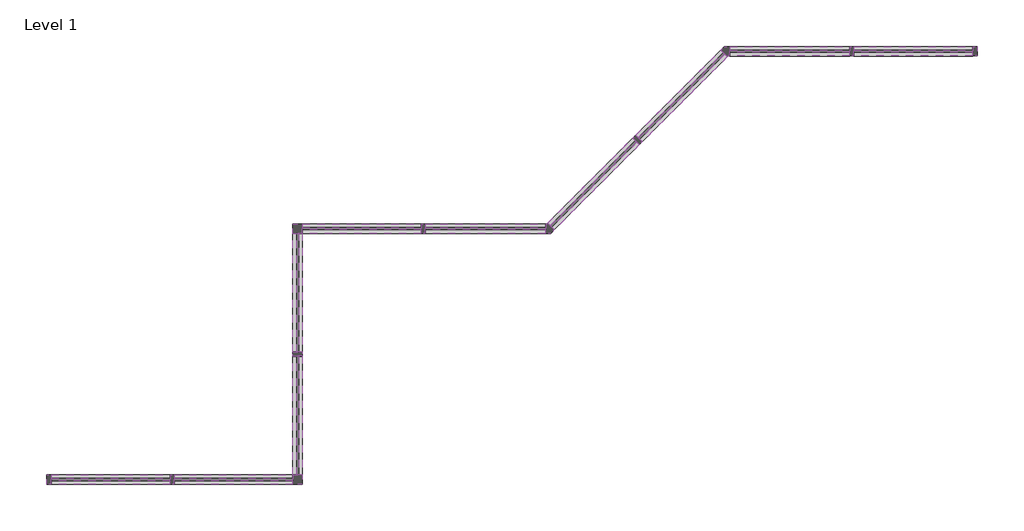
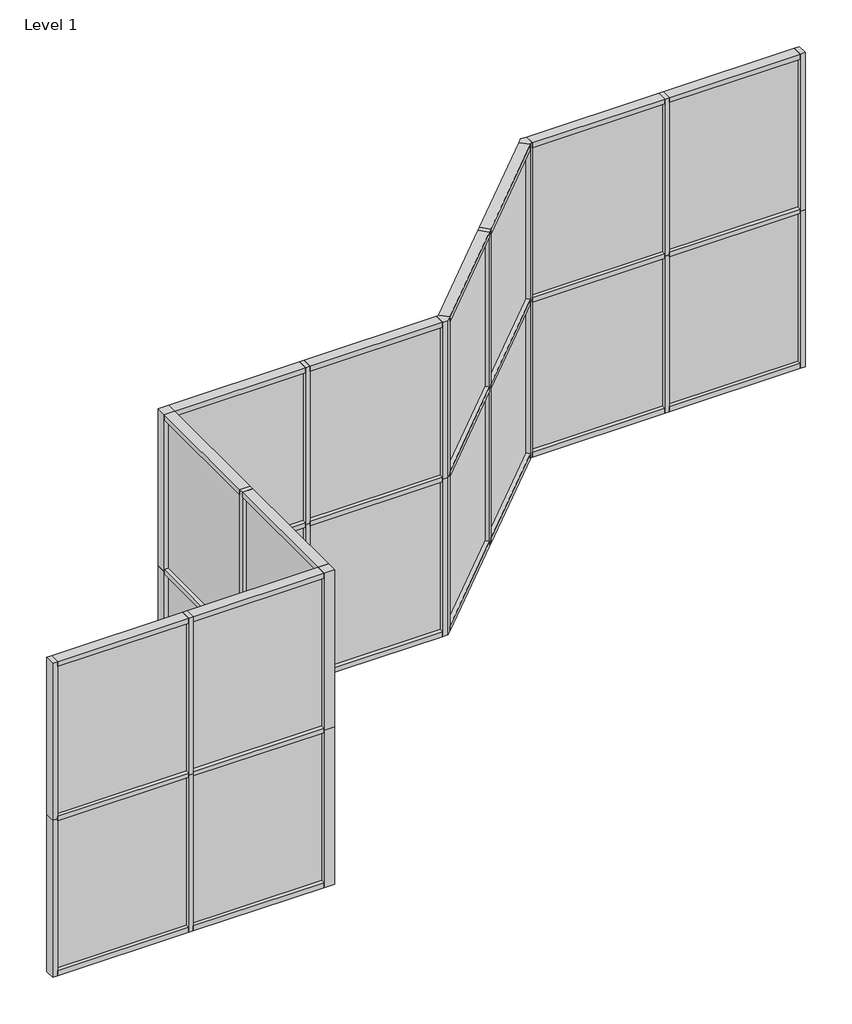
# One storey: 52 members, 20 plates.
"""IFC4 building model written with IfcOpenShell, lengths in millimetres."""

import ifcopenshell
import ifcopenshell.guid

model = None  # the IFC model being written
_history = None  # IfcOwnerHistory: only IFC2X3 demands one
_inside = {}  # id of a spatial element -> (the spatial element, [elements in it])
_under = {}  # id of a project, library or spatial element -> (it, [spatial elements below it])
_declared = {}  # id of a project -> (the project, [libraries it declares])
_typed = {}  # id of a type object -> (the type object, [elements of that type])
_made_of = {}  # id of a material, layer set ... -> (it, [elements and type objects made of it])


def new_model(schema):
    """Start an empty IFC model of exactly this schema.

    Asked for "IFC4X3", IfcOpenShell would pick the latest addendum, in which some entities
    have other attributes; the version numbers below select the first issue.
    IFC2X3 requires an IfcOwnerHistory on every rooted entity: one is made here for all.
    """
    global model, _history
    if schema == "IFC4X3":
        model = ifcopenshell.file(schema_version=(4, 3, 0, 0))
    else:
        model = ifcopenshell.file(schema=schema)
    _inside.clear()
    _under.clear()
    _declared.clear()
    _typed.clear()
    _made_of.clear()
    _history = None
    if model.schema == "IFC2X3":
        org = make("IfcOrganization", Name="unknown")
        user = make(
            "IfcPersonAndOrganization",
            ThePerson=make("IfcPerson", FamilyName="unknown"),
            TheOrganization=org,
        )
        app = make(
            "IfcApplication",
            ApplicationDeveloper=org,
            Version="unknown",
            ApplicationFullName="unknown",
            ApplicationIdentifier="unknown",
        )
        _history = make(
            "IfcOwnerHistory",
            OwningUser=user,
            OwningApplication=app,
            ChangeAction="ADDED",
            CreationDate=0,
        )
    return model


def make(cls, **values):
    """One entity of the class cls with the attributes given. An attribute that is None is left unset."""
    return model.create_entity(
        cls, **{name: value for name, value in values.items() if value is not None}
    )


def rooted(cls, **values):
    """An entity with a GlobalId (a new one), such as an element, a storey or a relation."""
    return make(cls, GlobalId=ifcopenshell.guid.new(), OwnerHistory=_history, **values)


def si_unit(unit_type, name, prefix=None):
    """IfcSIUnit, for example si_unit("LENGTHUNIT", "METRE", prefix="MILLI")."""
    return make("IfcSIUnit", UnitType=unit_type, Prefix=prefix, Name=name)


def assignment(units):
    """IfcUnitAssignment: the units of a project."""
    return None if units is None else make("IfcUnitAssignment", Units=units)


def point(xyz):
    """IfcCartesianPoint."""
    return None if xyz is None else make("IfcCartesianPoint", Coordinates=xyz)


def direction(xyz):
    """IfcDirection."""
    return None if xyz is None else make("IfcDirection", DirectionRatios=xyz)


def frame(location, z_axis=None, x_axis=None):
    """IfcAxis2Placement3D, a coordinate frame: its origin and axes. An axis left out is left unset."""
    return make(
        "IfcAxis2Placement3D",
        Location=point(location),
        Axis=direction(z_axis),
        RefDirection=direction(x_axis),
    )


def origin():
    """The frame at (0, 0, 0) with its axes left unset."""
    return frame((0.0, 0.0, 0.0))


def origin_with_axes():
    """The frame at (0, 0, 0) with the z axis (0, 0, 1) and the x axis (1, 0, 0) written out."""
    return frame((0.0, 0.0, 0.0), z_axis=(0.0, 0.0, 1.0), x_axis=(1.0, 0.0, 0.0))


def place(relative_to, where):
    """IfcLocalPlacement: puts the frame where relative to a parent placement (None: the world)."""
    return make(
        "IfcLocalPlacement", PlacementRelTo=relative_to, RelativePlacement=where
    )


def context(
    kind, dimensions, precision=None, world=None, true_north=None, identifier=None
):
    """IfcGeometricRepresentationContext, for example the 3D "Model" context."""
    return make(
        "IfcGeometricRepresentationContext",
        ContextIdentifier=identifier,
        ContextType=kind,
        CoordinateSpaceDimension=dimensions,
        Precision=precision,
        WorldCoordinateSystem=world,
        TrueNorth=true_north,
    )


def project(units=None, contexts=None):
    """IfcProject with its units and contexts."""
    return rooted(
        "IfcProject",
        Name="project",
        RepresentationContexts=contexts,
        UnitsInContext=assignment(units),
    )


def spatial(cls, under=None, at=None, **own):
    """A site, building, storey or space (cls), placed at a placement, below another one or the project."""
    s = rooted(cls, ObjectPlacement=at, **own)
    if under is not None:
        _under.setdefault(under.id(), (under, []))[1].append(s)
    return s


def polyline(points):
    """IfcPolyline through the points."""
    return make("IfcPolyline", Points=[point(p) for p in points])


def outline(outer, holes=None, kind="AREA"):
    """IfcArbitraryClosedProfileDef: a profile drawn as a closed curve; with holes, ...WithVoids."""
    if holes is None:
        return make("IfcArbitraryClosedProfileDef", ProfileType=kind, OuterCurve=outer)
    return make(
        "IfcArbitraryProfileDefWithVoids",
        ProfileType=kind,
        OuterCurve=outer,
        InnerCurves=holes,
    )


def extrude(swept, where, along, depth):
    """IfcExtrudedAreaSolid: the profile swept, set in the frame where, extruded along a direction by depth."""
    return make(
        "IfcExtrudedAreaSolid",
        SweptArea=swept,
        Position=where,
        ExtrudedDirection=direction(along),
        Depth=depth,
    )


def shape(context_of_items, identifier, shape_type, items):
    """IfcShapeRepresentation: the items that make up one representation, for example the "Body"."""
    return make(
        "IfcShapeRepresentation",
        ContextOfItems=context_of_items,
        RepresentationIdentifier=identifier,
        RepresentationType=shape_type,
        Items=items,
    )


def source(mapping_origin, context_of_items, identifier, shape_type, items):
    """IfcRepresentationMap: a shape defined once, which mapped items show again and again."""
    return make(
        "IfcRepresentationMap",
        MappingOrigin=mapping_origin,
        MappedRepresentation=shape(context_of_items, identifier, shape_type, items),
    )


def transform(
    local_origin,
    x_axis=None,
    y_axis=None,
    z_axis=None,
    scale=None,
    scale2=None,
    scale3=None,
    uniform=True,
):
    """IfcCartesianTransformationOperator3D, or its non-uniform kind. x_axis, y_axis, z_axis: its Axis1, 2, 3."""
    if uniform:
        return make(
            "IfcCartesianTransformationOperator3D",
            Axis1=direction(x_axis),
            Axis2=direction(y_axis),
            LocalOrigin=point(local_origin),
            Scale=scale,
            Axis3=direction(z_axis),
        )
    return make(
        "IfcCartesianTransformationOperator3DnonUniform",
        Axis1=direction(x_axis),
        Axis2=direction(y_axis),
        LocalOrigin=point(local_origin),
        Scale=scale,
        Axis3=direction(z_axis),
        Scale2=scale2,
        Scale3=scale3,
    )


def mapped(mapping_source, mapping_target):
    """IfcMappedItem: shows the shape of a source again, moved by a transform."""
    return make(
        "IfcMappedItem", MappingSource=mapping_source, MappingTarget=mapping_target
    )


def made_of(thing, what):
    """Note that an element or type object is made of a material, layer set ...; save() writes the relation."""
    if what is not None:
        _made_of.setdefault(what.id(), (what, []))[1].append(thing)
    return thing


def element(
    cls,
    number,
    at=None,
    inside=None,
    cuts=None,
    type_object=None,
    material=None,
    context=None,
    identifier="Body",
    shape_type=None,
    held_by="IfcProductDefinitionShape",
    body=None,
    shapes=None,
    **own,
):
    """One element of the class cls, such as IfcWall. Its Tag is "e" and its number.

    at: its placement. inside: the storey or other place that contains it. cuts: it is an
    opening in that element (IfcRelVoidsElement). A single representation is given by context,
    identifier, shape_type and body (its items); several are given by shapes. held_by: the class
    of the entity that holds the representations. save() writes the other relations.
    """
    e = rooted(cls, Tag="e%d" % number, ObjectPlacement=at, **own)
    if body is not None:
        shapes = [shape(context, identifier, shape_type, body)]
    if shapes is not None:
        e.Representation = make(held_by, Representations=shapes)
    if inside is not None:
        _inside.setdefault(inside.id(), (inside, []))[1].append(e)
    if cuts is not None:
        rooted(
            "IfcRelVoidsElement", RelatingBuildingElement=cuts, RelatedOpeningElement=e
        )
    if type_object is not None:
        _typed.setdefault(type_object.id(), (type_object, []))[1].append(e)
    return made_of(e, material)


def aggregate(whole, parts):
    """IfcRelAggregates: a whole, such as a stair, and the parts it consists of."""
    return rooted("IfcRelAggregates", RelatingObject=whole, RelatedObjects=parts)


def save(model, path):
    """Write the relations noted so far, then the file.

    IfcRelAggregates (storeys below a building ...), IfcRelContainedInSpatialStructure (elements
    in a storey), IfcRelDefinesByType, IfcRelAssociatesMaterial and IfcRelDeclares: one each for
    every whole, place, type object, material and project.
    """
    for whole, parts in _under.values():
        aggregate(whole, parts)
    for where, things in _inside.values():
        rooted(
            "IfcRelContainedInSpatialStructure",
            RelatedElements=things,
            RelatingStructure=where,
        )
    for kind, things in _typed.values():
        rooted("IfcRelDefinesByType", RelatedObjects=things, RelatingType=kind)
    for what, things in _made_of.values():
        rooted("IfcRelAssociatesMaterial", RelatedObjects=things, RelatingMaterial=what)
    for by, libraries in _declared.values():
        rooted("IfcRelDeclares", RelatingContext=by, RelatedDefinitions=libraries)
    model.write(path)


def l_corner_mullion_f14474ff(model_context):
    return source(origin(), model_context, "Body", "SweptSolid", [
        extrude(outline(polyline([(68.4744529, -12.3478522), (23.6723051, -57.15), (-39.6875, -57.15), (-39.6875, 57.15), (-23.6723051, 57.15), (-12.3478522, 68.4744529), (68.4744529, -12.3478522)])), frame((0.0, 0.0, -1828.8), z_axis=(0.0, 0.0, 1.0), x_axis=(1.0, 0.0, 0.0)), (0.0, 0.0, 1.0), 1828.8),
    ])


def l_corner_mullion_695edc38(model_context):
    return source(origin(), model_context, "Body", "SweptSolid", [
        extrude(outline(polyline([(-12.3478522, -68.4744529), (-23.6723051, -57.15), (-39.6875, -57.15), (-39.6875, 57.15), (23.6723051, 57.15), (68.4744529, 12.3478522), (-12.3478522, -68.4744529)])), frame((0.0, 0.0, -1828.8), z_axis=(0.0, 0.0, 1.0), x_axis=(1.0, 0.0, 0.0)), (0.0, 0.0, 1.0), 1828.8),
    ])


def quad_corner_mullion_f4bc3672(model_context):
    return source(origin(), model_context, "Body", "SweptSolid", [
        extrude(outline(polyline([(57.15, -57.15), (-57.15, -57.15), (-57.15, 57.15), (57.15, 57.15), (57.15, -57.15)])), frame((0.0, 0.0, -1828.8), z_axis=(0.0, 0.0, 1.0), x_axis=(1.0, 0.0, 0.0)), (0.0, 0.0, 1.0), 1828.8),
    ])


def quad_corner_mullion_361adb77(model_context):
    return source(origin(), model_context, "Body", "SweptSolid", [
        extrude(outline(polyline([(57.15, 57.15), (57.15, -57.15), (-57.15, -57.15), (-57.15, 57.15), (57.15, 57.15)])), frame((0.0, 0.0, -1828.8), z_axis=(0.0, 0.0, 1.0), x_axis=(1.0, 0.0, 0.0)), (0.0, 0.0, 1.0), 1828.8),
    ])


def rectangular_mullion_kawneer_vg_451_ssc_head_1aaa4fa9(model_context):
    return source(origin(), model_context, "Body", "SweptSolid", [
        extrude(outline(polyline([(-57.15, -57.15), (-57.15, 57.15), (0.0, 57.15), (0.0, -57.15), (-57.15, -57.15)])), frame((0.0, 0.0, -1441.45), z_axis=(0.0, 0.0, 1.0), x_axis=(1.0, 0.0, 0.0)), (0.0, 0.0, 1.0), 1441.45),
    ])


def rectangular_mullion_kawneer_vg_451_ssc_head_740f8d7e(model_context):
    return source(origin(), model_context, "Body", "SweptSolid", [
        extrude(outline(polyline([(-57.15, -57.15), (-57.15, 57.15), (0.0, 57.15), (0.0, -57.15), (-57.15, -57.15)])), frame((0.0, 0.0, -1458.9125), z_axis=(0.0, 0.0, 1.0), x_axis=(1.0, 0.0, 0.0)), (0.0, 0.0, 1.0), 1458.9125),
    ])


def rectangular_mullion_kawneer_vg_451_ssc_horizontal_7eaaeb3d(model_context):
    return source(origin(), model_context, "Body", "SweptSolid", [
        extrude(outline(polyline([(25.4, 57.15), (25.4, -57.15), (-25.4, -57.15), (-25.4, 57.15), (25.4, 57.15)])), frame((0.0, 0.0, -1441.45), z_axis=(0.0, 0.0, 1.0), x_axis=(1.0, 0.0, 0.0)), (0.0, 0.0, 1.0), 1441.45),
    ])


def rectangular_mullion_kawneer_vg_451_ssc_horizontal_911dba1e(model_context):
    return source(origin(), model_context, "Body", "SweptSolid", [
        extrude(outline(polyline([(25.4, 57.15), (25.4, -57.15), (-25.4, -57.15), (-25.4, 57.15), (25.4, 57.15)])), frame((0.0, 0.0, -1458.9125), z_axis=(0.0, 0.0, 1.0), x_axis=(1.0, 0.0, 0.0)), (0.0, 0.0, 1.0), 1458.9125),
    ])


def rectangular_mullion_kawneer_vg_451_ssc_jamb_left_6c2af602(model_context):
    return source(origin(), model_context, "Body", "SweptSolid", [
        extrude(outline(polyline([(-57.15, -57.15), (-57.15, 57.15), (0.0, 57.15), (0.0, -57.15), (-57.15, -57.15)])), frame((0.0, 0.0, -1828.8), z_axis=(0.0, 0.0, 1.0), x_axis=(1.0, 0.0, 0.0)), (0.0, 0.0, 1.0), 1828.8),
    ])


def rectangular_mullion_kawneer_vg_451_ssc_vertical_585972e0(model_context):
    return source(origin(), model_context, "Body", "SweptSolid", [
        extrude(outline(polyline([(25.4, 57.15), (25.4, -57.15), (-25.4, -57.15), (-25.4, 57.15), (25.4, 57.15)])), frame((0.0, 0.0, -1828.8), z_axis=(0.0, 0.0, 1.0), x_axis=(1.0, 0.0, 0.0)), (0.0, 0.0, 1.0), 1828.8),
    ])


def system_panel_ssc_2e00f368(model_context):
    return source(origin(), model_context, "Body", "SweptSolid", [
        extrude(outline(polyline([(720.725, -12.7), (-720.725, -12.7), (-720.725, 12.7), (720.725, 12.7), (720.725, -12.7)])), origin_with_axes(), (0.0, 0.0, 1.0), 1746.25),
    ])


def system_panel_ssc_d32b9d8c(model_context):
    return source(origin(), model_context, "Body", "SweptSolid", [
        extrude(outline(polyline([(729.45625, -12.7), (-729.45625, -12.7), (-729.45625, 12.7), (729.45625, 12.7), (729.45625, -12.7)])), origin_with_axes(), (0.0, 0.0, 1.0), 1746.25),
    ])


model = new_model("IFC4")

# Units and contexts
model_context = context("Model", 3, world=origin())
ifc_project = project(units=[si_unit("LENGTHUNIT", "METRE", prefix="MILLI")], contexts=[model_context])

# Site, building, storey
site = spatial("IfcSite", under=ifc_project)
building = spatial("IfcBuilding", under=site)
storey = spatial("IfcBuildingStorey", under=building, Name="Level 1", Elevation=0.0)

# Members
placement = place(None, origin())
l_corner_mullion_shape = l_corner_mullion_f14474ff(model_context)
element("IfcMember", 1, ObjectType="L Corner Mullion", at=placement, inside=storey, context=model_context, shape_type="MappedRepresentation", body=[
    mapped(l_corner_mullion_shape, transform((13943.6538992, 7763.9938265, 0.0), x_axis=(0.7071067811865482, 0.7071067811865468, 0.0), y_axis=(0.7071067811865468, -0.7071067811865482, 0.0), z_axis=(0.0, 0.0, -1.0))),
])
element("IfcMember", 2, ObjectType="L Corner Mullion", at=placement, inside=storey, context=model_context, shape_type="MappedRepresentation", body=[
    mapped(l_corner_mullion_shape, transform((13943.6538992, 7763.9938265, 1828.8), x_axis=(0.7071067811865482, 0.7071067811865468, 0.0), y_axis=(0.7071067811865468, -0.7071067811865482, 0.0), z_axis=(0.0, 0.0, -1.0))),
])
l_corner_mullion_2_shape = l_corner_mullion_695edc38(model_context)
element("IfcMember", 3, ObjectType="L Corner Mullion", at=placement, inside=storey, context=model_context, shape_type="MappedRepresentation", body=[
    mapped(l_corner_mullion_2_shape, transform((11788.3924301, 5608.7323574, 0.0), x_axis=(1.0, 0.0, 0.0), y_axis=(0.0, -1.0, 0.0), z_axis=(0.0, 0.0, -1.0))),
])
element("IfcMember", 4, ObjectType="L Corner Mullion", at=placement, inside=storey, context=model_context, shape_type="MappedRepresentation", body=[
    mapped(l_corner_mullion_2_shape, transform((11788.3924301, 5608.7323574, 1828.8), x_axis=(1.0, 0.0, 0.0), y_axis=(0.0, -1.0, 0.0), z_axis=(0.0, 0.0, -1.0))),
])
quad_corner_mullion_shape = quad_corner_mullion_f4bc3672(model_context)
element("IfcMember", 5, ObjectType="Quad Corner Mullion", at=placement, inside=storey, context=model_context, shape_type="MappedRepresentation", body=[
    mapped(quad_corner_mullion_shape, transform((8740.3924301, 2560.7323574, 1828.8), x_axis=(0.0, -1.0, 0.0), y_axis=(1.0, 0.0, 0.0), z_axis=(0.0, 0.0, 1.0))),
])
quad_corner_mullion_2_shape = quad_corner_mullion_361adb77(model_context)
element("IfcMember", 6, ObjectType="Quad Corner Mullion", at=placement, inside=storey, context=model_context, shape_type="MappedRepresentation", body=[
    mapped(quad_corner_mullion_2_shape, transform((8740.3924301, 5608.7323574, 1828.8), x_axis=(0.0, 1.0, 0.0), y_axis=(1.0, 0.0, 0.0), z_axis=(0.0, 0.0, -1.0))),
])
element("IfcMember", 7, ObjectType="Quad Corner Mullion", at=placement, inside=storey, context=model_context, shape_type="MappedRepresentation", body=[
    mapped(quad_corner_mullion_2_shape, transform((8740.3924301, 5608.7323574, 1828.8), x_axis=(-1.0, 0.0, 0.0), y_axis=(0.0, -1.0, 0.0), z_axis=(0.0, 0.0, 1.0))),
])
element("IfcMember", 8, ObjectType="Quad Corner Mullion", at=placement, inside=storey, context=model_context, shape_type="MappedRepresentation", body=[
    mapped(quad_corner_mullion_shape, transform((8740.3924301, 2560.7323574, 1828.8), x_axis=(1.0, 0.0, 0.0), y_axis=(0.0, -1.0, 0.0), z_axis=(0.0, 0.0, -1.0))),
])
rectangular_mullion_kawneer_vg_451_ssc_head_shape = rectangular_mullion_kawneer_vg_451_ssc_head_1aaa4fa9(model_context)
element("IfcMember", 9, ObjectType="Rectangular Mullion : Kawneer-VG_451-SSC-Head", at=placement, inside=storey, context=model_context, shape_type="MappedRepresentation", body=[
    mapped(rectangular_mullion_kawneer_vg_451_ssc_head_shape, transform((8683.2424301, 2560.7323574, 3657.6), x_axis=(0.0, 0.0, 1.0), y_axis=(0.0, -1.0, 0.0), z_axis=(1.0, 0.0, 0.0))),
])
element("IfcMember", 10, ObjectType="Rectangular Mullion : Kawneer-VG_451-SSC-Head", at=placement, inside=storey, context=model_context, shape_type="MappedRepresentation", body=[
    mapped(rectangular_mullion_kawneer_vg_451_ssc_head_shape, transform((7190.9924301, 2560.7323574, 3657.6), x_axis=(0.0, 0.0, 1.0), y_axis=(0.0, -1.0, 0.0), z_axis=(1.0, 0.0, 0.0))),
])
element("IfcMember", 11, ObjectType="Rectangular Mullion : Kawneer-VG_451-SSC-Head", at=placement, inside=storey, context=model_context, shape_type="MappedRepresentation", body=[
    mapped(rectangular_mullion_kawneer_vg_451_ssc_head_shape, transform((8740.3924301, 5551.5823574, 3657.6), x_axis=(0.0, 0.0, 1.0), y_axis=(1.0, 0.0, 0.0), z_axis=(0.0, 1.0, 0.0))),
])
element("IfcMember", 12, ObjectType="Rectangular Mullion : Kawneer-VG_451-SSC-Head", at=placement, inside=storey, context=model_context, shape_type="MappedRepresentation", body=[
    mapped(rectangular_mullion_kawneer_vg_451_ssc_head_shape, transform((8740.3924301, 4059.3323574, 3657.6), x_axis=(0.0, 0.0, 1.0), y_axis=(1.0, 0.0, 0.0), z_axis=(0.0, 1.0, 0.0))),
])
element("IfcMember", 13, ObjectType="Rectangular Mullion : Kawneer-VG_451-SSC-Head", at=placement, inside=storey, context=model_context, shape_type="MappedRepresentation", body=[
    mapped(rectangular_mullion_kawneer_vg_451_ssc_head_shape, transform((10238.9924301, 5608.7323574, 3657.6), x_axis=(0.0, 0.0, 1.0), y_axis=(0.0, -1.0, 0.0), z_axis=(1.0, 0.0, 0.0))),
])
element("IfcMember", 14, ObjectType="Rectangular Mullion : Kawneer-VG_451-SSC-Head", at=placement, inside=storey, context=model_context, shape_type="MappedRepresentation", body=[
    mapped(rectangular_mullion_kawneer_vg_451_ssc_head_shape, transform((16934.5038992, 7763.9938265, 3657.6), x_axis=(0.0, 0.0, 1.0), y_axis=(0.0, -1.0, 0.0), z_axis=(1.0, 0.0, 0.0))),
])
rectangular_mullion_kawneer_vg_451_ssc_head_2_shape = rectangular_mullion_kawneer_vg_451_ssc_head_740f8d7e(model_context)
element("IfcMember", 15, ObjectType="Rectangular Mullion : Kawneer-VG_451-SSC-Head", at=placement, inside=storey, context=model_context, shape_type="MappedRepresentation", body=[
    mapped(rectangular_mullion_kawneer_vg_451_ssc_head_2_shape, transform((11748.7049301, 5608.7323574, 3657.6), x_axis=(0.0, 0.0, 1.0), y_axis=(0.0, -1.0, 0.0), z_axis=(1.0, 0.0, 0.0))),
])
element("IfcMember", 16, ObjectType="Rectangular Mullion : Kawneer-VG_451-SSC-Head", at=placement, inside=storey, context=model_context, shape_type="MappedRepresentation", body=[
    mapped(rectangular_mullion_kawneer_vg_451_ssc_head_2_shape, transform((13915.5905988, 7735.9305261, 3657.6), x_axis=(0.0, 0.0, 1.0), y_axis=(0.7071067811865465, -0.7071067811865486, 0.0), z_axis=(0.7071067811865486, 0.7071067811865465, 0.0))),
])
element("IfcMember", 17, ObjectType="Rectangular Mullion : Kawneer-VG_451-SSC-Head", at=placement, inside=storey, context=model_context, shape_type="MappedRepresentation", body=[
    mapped(rectangular_mullion_kawneer_vg_451_ssc_head_2_shape, transform((12848.0626524, 6668.4025797, 3657.6), x_axis=(0.0, 0.0, 1.0), y_axis=(0.7071067811865472, -0.7071067811865479, 0.0), z_axis=(0.7071067811865478, 0.7071067811865471, 0.0))),
])
element("IfcMember", 18, ObjectType="Rectangular Mullion : Kawneer-VG_451-SSC-Head", at=placement, inside=storey, context=model_context, shape_type="MappedRepresentation", body=[
    mapped(rectangular_mullion_kawneer_vg_451_ssc_head_2_shape, transform((15442.2538992, 7763.9938265, 3657.6), x_axis=(0.0, 0.0, 1.0), y_axis=(0.0, -1.0, 0.0), z_axis=(1.0, 0.0, 0.0))),
])
rectangular_mullion_kawneer_vg_451_ssc_horizontal_shape = rectangular_mullion_kawneer_vg_451_ssc_horizontal_7eaaeb3d(model_context)
element("IfcMember", 19, ObjectType="Rectangular Mullion : Kawneer-VG_451-SSC-Horizontal", at=placement, inside=storey, context=model_context, shape_type="MappedRepresentation", body=[
    mapped(rectangular_mullion_kawneer_vg_451_ssc_horizontal_shape, transform((7190.9924301, 2560.7323574, 1828.8), x_axis=(0.0, 0.0, 1.0), y_axis=(0.0, -1.0, 0.0), z_axis=(1.0, 0.0, 0.0))),
])
element("IfcMember", 20, ObjectType="Rectangular Mullion : Kawneer-VG_451-SSC-Horizontal", at=placement, inside=storey, context=model_context, shape_type="MappedRepresentation", body=[
    mapped(rectangular_mullion_kawneer_vg_451_ssc_horizontal_shape, transform((8683.2424301, 2560.7323574, 1828.8), x_axis=(0.0, 0.0, 1.0), y_axis=(0.0, -1.0, 0.0), z_axis=(1.0, 0.0, 0.0))),
])
element("IfcMember", 21, ObjectType="Rectangular Mullion : Kawneer-VG_451-SSC-Horizontal", at=placement, inside=storey, context=model_context, shape_type="MappedRepresentation", body=[
    mapped(rectangular_mullion_kawneer_vg_451_ssc_horizontal_shape, transform((8740.3924301, 4059.3323574, 1828.8), x_axis=(0.0, 0.0, 1.0), y_axis=(1.0, 0.0, 0.0), z_axis=(0.0, 1.0, 0.0))),
])
element("IfcMember", 22, ObjectType="Rectangular Mullion : Kawneer-VG_451-SSC-Horizontal", at=placement, inside=storey, context=model_context, shape_type="MappedRepresentation", body=[
    mapped(rectangular_mullion_kawneer_vg_451_ssc_horizontal_shape, transform((8740.3924301, 5551.5823574, 1828.8), x_axis=(0.0, 0.0, 1.0), y_axis=(1.0, 0.0, 0.0), z_axis=(0.0, 1.0, 0.0))),
])
element("IfcMember", 23, ObjectType="Rectangular Mullion : Kawneer-VG_451-SSC-Horizontal", at=placement, inside=storey, context=model_context, shape_type="MappedRepresentation", body=[
    mapped(rectangular_mullion_kawneer_vg_451_ssc_horizontal_shape, transform((10238.9924301, 5608.7323574, 1828.8), x_axis=(0.0, 0.0, 1.0), y_axis=(0.0, -1.0, 0.0), z_axis=(1.0, 0.0, 0.0))),
])
element("IfcMember", 24, ObjectType="Rectangular Mullion : Kawneer-VG_451-SSC-Horizontal", at=placement, inside=storey, context=model_context, shape_type="MappedRepresentation", body=[
    mapped(rectangular_mullion_kawneer_vg_451_ssc_horizontal_shape, transform((16934.5038992, 7763.9938265, 1828.8), x_axis=(0.0, 0.0, 1.0), y_axis=(0.0, -1.0, 0.0), z_axis=(1.0, 0.0, 0.0))),
])
rectangular_mullion_kawneer_vg_451_ssc_horizontal_2_shape = rectangular_mullion_kawneer_vg_451_ssc_horizontal_911dba1e(model_context)
element("IfcMember", 25, ObjectType="Rectangular Mullion : Kawneer-VG_451-SSC-Horizontal", at=placement, inside=storey, context=model_context, shape_type="MappedRepresentation", body=[
    mapped(rectangular_mullion_kawneer_vg_451_ssc_horizontal_2_shape, transform((11748.7049301, 5608.7323574, 1828.8), x_axis=(0.0, 0.0, 1.0), y_axis=(0.0, -1.0, 0.0), z_axis=(1.0, 0.0, 0.0))),
])
element("IfcMember", 26, ObjectType="Rectangular Mullion : Kawneer-VG_451-SSC-Horizontal", at=placement, inside=storey, context=model_context, shape_type="MappedRepresentation", body=[
    mapped(rectangular_mullion_kawneer_vg_451_ssc_horizontal_2_shape, transform((12848.0626524, 6668.4025797, 1828.8), x_axis=(0.0, 0.0, 1.0), y_axis=(0.7071067811865472, -0.7071067811865479, 0.0), z_axis=(0.7071067811865478, 0.7071067811865471, 0.0))),
])
element("IfcMember", 27, ObjectType="Rectangular Mullion : Kawneer-VG_451-SSC-Horizontal", at=placement, inside=storey, context=model_context, shape_type="MappedRepresentation", body=[
    mapped(rectangular_mullion_kawneer_vg_451_ssc_horizontal_2_shape, transform((13915.5905988, 7735.9305261, 1828.8), x_axis=(0.0, 0.0, 1.0), y_axis=(0.7071067811865465, -0.7071067811865486, 0.0), z_axis=(0.7071067811865486, 0.7071067811865465, 0.0))),
])
element("IfcMember", 28, ObjectType="Rectangular Mullion : Kawneer-VG_451-SSC-Horizontal", at=placement, inside=storey, context=model_context, shape_type="MappedRepresentation", body=[
    mapped(rectangular_mullion_kawneer_vg_451_ssc_horizontal_2_shape, transform((15442.2538992, 7763.9938265, 1828.8), x_axis=(0.0, 0.0, 1.0), y_axis=(0.0, -1.0, 0.0), z_axis=(1.0, 0.0, 0.0))),
])
rectangular_mullion_kawneer_vg_451_ssc_jamb_left_shape = rectangular_mullion_kawneer_vg_451_ssc_jamb_left_6c2af602(model_context)
element("IfcMember", 29, ObjectType="Rectangular Mullion : Kawneer-VG_451-SSC-Jamb_Left", at=placement, inside=storey, context=model_context, shape_type="MappedRepresentation", body=[
    mapped(rectangular_mullion_kawneer_vg_451_ssc_jamb_left_shape, transform((5692.3924301, 2560.7323574, 3657.6), x_axis=(-1.0, 0.0, 0.0), y_axis=(0.0, -1.0, 0.0), z_axis=(0.0, 0.0, 1.0))),
])
element("IfcMember", 30, ObjectType="Rectangular Mullion : Kawneer-VG_451-SSC-Jamb_Left", at=placement, inside=storey, context=model_context, shape_type="MappedRepresentation", body=[
    mapped(rectangular_mullion_kawneer_vg_451_ssc_jamb_left_shape, transform((5692.3924301, 2560.7323574, 1828.8), x_axis=(-1.0, 0.0, 0.0), y_axis=(0.0, -1.0, 0.0), z_axis=(0.0, 0.0, 1.0))),
])
element("IfcMember", 31, ObjectType="Rectangular Mullion : Kawneer-VG_451-SSC-Jamb_Right", at=placement, inside=storey, context=model_context, shape_type="MappedRepresentation", body=[
    mapped(rectangular_mullion_kawneer_vg_451_ssc_jamb_left_shape, transform((16991.6538992, 7763.9938265, 1828.8), x_axis=(1.0, 0.0, 0.0), y_axis=(0.0, -1.0, 0.0), z_axis=(0.0, 0.0, -1.0))),
])
element("IfcMember", 32, ObjectType="Rectangular Mullion : Kawneer-VG_451-SSC-Jamb_Right", at=placement, inside=storey, context=model_context, shape_type="MappedRepresentation", body=[
    mapped(rectangular_mullion_kawneer_vg_451_ssc_jamb_left_shape, transform((16991.6538992, 7763.9938265, 0.0), x_axis=(1.0, 0.0, 0.0), y_axis=(0.0, -1.0, 0.0), z_axis=(0.0, 0.0, -1.0))),
])
element("IfcMember", 33, ObjectType="Rectangular Mullion : Kawneer-VG_451-SSC-Sill", at=placement, inside=storey, context=model_context, shape_type="MappedRepresentation", body=[
    mapped(rectangular_mullion_kawneer_vg_451_ssc_head_shape, transform((5749.5424301, 2560.7323574, 0.0), x_axis=(0.0, 0.0, -1.0), y_axis=(0.0, -1.0, 0.0), z_axis=(-1.0, 0.0, 0.0))),
])
element("IfcMember", 34, ObjectType="Rectangular Mullion : Kawneer-VG_451-SSC-Sill", at=placement, inside=storey, context=model_context, shape_type="MappedRepresentation", body=[
    mapped(rectangular_mullion_kawneer_vg_451_ssc_head_shape, transform((7241.7924301, 2560.7323574, 0.0), x_axis=(0.0, 0.0, -1.0), y_axis=(0.0, -1.0, 0.0), z_axis=(-1.0, 0.0, 0.0))),
])
element("IfcMember", 35, ObjectType="Rectangular Mullion : Kawneer-VG_451-SSC-Sill", at=placement, inside=storey, context=model_context, shape_type="MappedRepresentation", body=[
    mapped(rectangular_mullion_kawneer_vg_451_ssc_head_shape, transform((8740.3924301, 2617.8823574, 0.0), x_axis=(0.0, 0.0, -1.0), y_axis=(1.0, 0.0, 0.0), z_axis=(0.0, -1.0, 0.0))),
])
element("IfcMember", 36, ObjectType="Rectangular Mullion : Kawneer-VG_451-SSC-Sill", at=placement, inside=storey, context=model_context, shape_type="MappedRepresentation", body=[
    mapped(rectangular_mullion_kawneer_vg_451_ssc_head_shape, transform((8740.3924301, 4110.1323574, 0.0), x_axis=(0.0, 0.0, -1.0), y_axis=(1.0, 0.0, 0.0), z_axis=(0.0, -1.0, 0.0))),
])
element("IfcMember", 37, ObjectType="Rectangular Mullion : Kawneer-VG_451-SSC-Sill", at=placement, inside=storey, context=model_context, shape_type="MappedRepresentation", body=[
    mapped(rectangular_mullion_kawneer_vg_451_ssc_head_shape, transform((8797.5424301, 5608.7323574, 0.0), x_axis=(0.0, 0.0, -1.0), y_axis=(0.0, -1.0, 0.0), z_axis=(-1.0, 0.0, 0.0))),
])
element("IfcMember", 38, ObjectType="Rectangular Mullion : Kawneer-VG_451-SSC-Sill", at=placement, inside=storey, context=model_context, shape_type="MappedRepresentation", body=[
    mapped(rectangular_mullion_kawneer_vg_451_ssc_head_shape, transform((15493.0538992, 7763.9938265, 0.0), x_axis=(0.0, 0.0, -1.0), y_axis=(0.0, -1.0, 0.0), z_axis=(-1.0, 0.0, 0.0))),
])
element("IfcMember", 39, ObjectType="Rectangular Mullion : Kawneer-VG_451-SSC-Sill", at=placement, inside=storey, context=model_context, shape_type="MappedRepresentation", body=[
    mapped(rectangular_mullion_kawneer_vg_451_ssc_head_2_shape, transform((10289.7924301, 5608.7323574, 0.0), x_axis=(0.0, 0.0, -1.0), y_axis=(0.0, -1.0, 0.0), z_axis=(-1.0, 0.0, 0.0))),
])
element("IfcMember", 40, ObjectType="Rectangular Mullion : Kawneer-VG_451-SSC-Sill", at=placement, inside=storey, context=model_context, shape_type="MappedRepresentation", body=[
    mapped(rectangular_mullion_kawneer_vg_451_ssc_head_2_shape, transform((11816.4557305, 5636.7956578, 0.0), x_axis=(0.0, 0.0, -1.0), y_axis=(0.7071067811865472, -0.7071067811865479, 0.0), z_axis=(-0.7071067811865478, -0.7071067811865471, 0.0))),
])
element("IfcMember", 41, ObjectType="Rectangular Mullion : Kawneer-VG_451-SSC-Sill", at=placement, inside=storey, context=model_context, shape_type="MappedRepresentation", body=[
    mapped(rectangular_mullion_kawneer_vg_451_ssc_head_2_shape, transform((12883.9836769, 6704.3236042, 0.0), x_axis=(0.0, 0.0, -1.0), y_axis=(0.7071067811865465, -0.7071067811865486, 0.0), z_axis=(-0.7071067811865486, -0.7071067811865465, 0.0))),
])
element("IfcMember", 42, ObjectType="Rectangular Mullion : Kawneer-VG_451-SSC-Sill", at=placement, inside=storey, context=model_context, shape_type="MappedRepresentation", body=[
    mapped(rectangular_mullion_kawneer_vg_451_ssc_head_2_shape, transform((13983.3413992, 7763.9938265, 0.0), x_axis=(0.0, 0.0, -1.0), y_axis=(0.0, -1.0, 0.0), z_axis=(-1.0, 0.0, 0.0))),
])
rectangular_mullion_kawneer_vg_451_ssc_vertical_shape = rectangular_mullion_kawneer_vg_451_ssc_vertical_585972e0(model_context)
element("IfcMember", 43, ObjectType="Rectangular Mullion : Kawneer-VG_451-SSC-Vertical", at=placement, inside=storey, context=model_context, shape_type="MappedRepresentation", body=[
    mapped(rectangular_mullion_kawneer_vg_451_ssc_vertical_shape, transform((7216.3924301, 2560.7323574, 0.0), x_axis=(1.0, 0.0, 0.0), y_axis=(0.0, -1.0, 0.0), z_axis=(0.0, 0.0, -1.0))),
])
element("IfcMember", 44, ObjectType="Rectangular Mullion : Kawneer-VG_451-SSC-Vertical", at=placement, inside=storey, context=model_context, shape_type="MappedRepresentation", body=[
    mapped(rectangular_mullion_kawneer_vg_451_ssc_vertical_shape, transform((8740.3924301, 4084.7323574, 0.0), x_axis=(0.0, 1.0, 0.0), y_axis=(1.0, 0.0, 0.0), z_axis=(0.0, 0.0, -1.0))),
])
element("IfcMember", 45, ObjectType="Rectangular Mullion : Kawneer-VG_451-SSC-Vertical", at=placement, inside=storey, context=model_context, shape_type="MappedRepresentation", body=[
    mapped(rectangular_mullion_kawneer_vg_451_ssc_vertical_shape, transform((10264.3924301, 5608.7323574, 0.0), x_axis=(1.0, 0.0, 0.0), y_axis=(0.0, -1.0, 0.0), z_axis=(0.0, 0.0, -1.0))),
])
element("IfcMember", 46, ObjectType="Rectangular Mullion : Kawneer-VG_451-SSC-Vertical", at=placement, inside=storey, context=model_context, shape_type="MappedRepresentation", body=[
    mapped(rectangular_mullion_kawneer_vg_451_ssc_vertical_shape, transform((12866.0231647, 6686.363092, 0.0), x_axis=(0.7071067811865482, 0.7071067811865468, 0.0), y_axis=(0.7071067811865468, -0.7071067811865482, 0.0), z_axis=(0.0, 0.0, -1.0))),
])
element("IfcMember", 47, ObjectType="Rectangular Mullion : Kawneer-VG_451-SSC-Vertical", at=placement, inside=storey, context=model_context, shape_type="MappedRepresentation", body=[
    mapped(rectangular_mullion_kawneer_vg_451_ssc_vertical_shape, transform((15467.6538992, 7763.9938265, 0.0), x_axis=(1.0, 0.0, 0.0), y_axis=(0.0, -1.0, 0.0), z_axis=(0.0, 0.0, -1.0))),
])
element("IfcMember", 48, ObjectType="Rectangular Mullion : Kawneer-VG_451-SSC-Vertical", at=placement, inside=storey, context=model_context, shape_type="MappedRepresentation", body=[
    mapped(rectangular_mullion_kawneer_vg_451_ssc_vertical_shape, transform((7216.3924301, 2560.7323574, 1828.8), x_axis=(1.0, 0.0, 0.0), y_axis=(0.0, -1.0, 0.0), z_axis=(0.0, 0.0, -1.0))),
])
element("IfcMember", 49, ObjectType="Rectangular Mullion : Kawneer-VG_451-SSC-Vertical", at=placement, inside=storey, context=model_context, shape_type="MappedRepresentation", body=[
    mapped(rectangular_mullion_kawneer_vg_451_ssc_vertical_shape, transform((8740.3924301, 4084.7323574, 1828.8), x_axis=(0.0, 1.0, 0.0), y_axis=(1.0, 0.0, 0.0), z_axis=(0.0, 0.0, -1.0))),
])
element("IfcMember", 50, ObjectType="Rectangular Mullion : Kawneer-VG_451-SSC-Vertical", at=placement, inside=storey, context=model_context, shape_type="MappedRepresentation", body=[
    mapped(rectangular_mullion_kawneer_vg_451_ssc_vertical_shape, transform((10264.3924301, 5608.7323574, 1828.8), x_axis=(1.0, 0.0, 0.0), y_axis=(0.0, -1.0, 0.0), z_axis=(0.0, 0.0, -1.0))),
])
element("IfcMember", 51, ObjectType="Rectangular Mullion : Kawneer-VG_451-SSC-Vertical", at=placement, inside=storey, context=model_context, shape_type="MappedRepresentation", body=[
    mapped(rectangular_mullion_kawneer_vg_451_ssc_vertical_shape, transform((12866.0231647, 6686.363092, 1828.8), x_axis=(0.7071067811865482, 0.7071067811865468, 0.0), y_axis=(0.7071067811865468, -0.7071067811865482, 0.0), z_axis=(0.0, 0.0, -1.0))),
])
element("IfcMember", 52, ObjectType="Rectangular Mullion : Kawneer-VG_451-SSC-Vertical", at=placement, inside=storey, context=model_context, shape_type="MappedRepresentation", body=[
    mapped(rectangular_mullion_kawneer_vg_451_ssc_vertical_shape, transform((15467.6538992, 7763.9938265, 1828.8), x_axis=(1.0, 0.0, 0.0), y_axis=(0.0, -1.0, 0.0), z_axis=(0.0, 0.0, -1.0))),
])

# Plates
system_panel_ssc_shape = system_panel_ssc_2e00f368(model_context)
element("IfcPlate", 53, ObjectType="System Panel : SSC", at=placement, inside=storey, context=model_context, shape_type="MappedRepresentation", body=[
    mapped(system_panel_ssc_shape, transform((6470.2674301, 2560.7323574, 57.15), x_axis=(1.0, 0.0, 0.0), y_axis=(0.0, 1.0, 0.0), z_axis=(0.0, 0.0, 1.0))),
])
element("IfcPlate", 54, ObjectType="System Panel : SSC", at=placement, inside=storey, context=model_context, shape_type="MappedRepresentation", body=[
    mapped(system_panel_ssc_shape, transform((7962.5174301, 2560.7323574, 57.15), x_axis=(1.0, 0.0, 0.0), y_axis=(0.0, 1.0, 0.0), z_axis=(0.0, 0.0, 1.0))),
])
element("IfcPlate", 55, ObjectType="System Panel : SSC", at=placement, inside=storey, context=model_context, shape_type="MappedRepresentation", body=[
    mapped(system_panel_ssc_shape, transform((6470.2674301, 2560.7323574, 1854.2), x_axis=(1.0, 0.0, 0.0), y_axis=(0.0, 1.0, 0.0), z_axis=(0.0, 0.0, 1.0))),
])
element("IfcPlate", 56, ObjectType="System Panel : SSC", at=placement, inside=storey, context=model_context, shape_type="MappedRepresentation", body=[
    mapped(system_panel_ssc_shape, transform((7962.5174301, 2560.7323574, 1854.2), x_axis=(1.0, 0.0, 0.0), y_axis=(0.0, 1.0, 0.0), z_axis=(0.0, 0.0, 1.0))),
])
element("IfcPlate", 57, ObjectType="System Panel : SSC", at=placement, inside=storey, context=model_context, shape_type="MappedRepresentation", body=[
    mapped(system_panel_ssc_shape, transform((8740.3924301, 3338.6073574, 57.15), x_axis=(0.0, 1.0, 0.0), y_axis=(-1.0, 0.0, 0.0), z_axis=(0.0, 0.0, 1.0))),
])
element("IfcPlate", 58, ObjectType="System Panel : SSC", at=placement, inside=storey, context=model_context, shape_type="MappedRepresentation", body=[
    mapped(system_panel_ssc_shape, transform((8740.3924301, 4830.8573574, 57.15), x_axis=(0.0, 1.0, 0.0), y_axis=(-1.0, 0.0, 0.0), z_axis=(0.0, 0.0, 1.0))),
])
element("IfcPlate", 59, ObjectType="System Panel : SSC", at=placement, inside=storey, context=model_context, shape_type="MappedRepresentation", body=[
    mapped(system_panel_ssc_shape, transform((8740.3924301, 3338.6073574, 1854.2), x_axis=(0.0, 1.0, 0.0), y_axis=(-1.0, 0.0, 0.0), z_axis=(0.0, 0.0, 1.0))),
])
element("IfcPlate", 60, ObjectType="System Panel : SSC", at=placement, inside=storey, context=model_context, shape_type="MappedRepresentation", body=[
    mapped(system_panel_ssc_shape, transform((8740.3924301, 4830.8573574, 1854.2), x_axis=(0.0, 1.0, 0.0), y_axis=(-1.0, 0.0, 0.0), z_axis=(0.0, 0.0, 1.0))),
])
element("IfcPlate", 61, ObjectType="System Panel : SSC", at=placement, inside=storey, context=model_context, shape_type="MappedRepresentation", body=[
    mapped(system_panel_ssc_shape, transform((9518.2674301, 5608.7323574, 57.15), x_axis=(1.0, 0.0, 0.0), y_axis=(0.0, 1.0, 0.0), z_axis=(0.0, 0.0, 1.0))),
])
element("IfcPlate", 62, ObjectType="System Panel : SSC", at=placement, inside=storey, context=model_context, shape_type="MappedRepresentation", body=[
    mapped(system_panel_ssc_shape, transform((9518.2674301, 5608.7323574, 1854.2), x_axis=(1.0, 0.0, 0.0), y_axis=(0.0, 1.0, 0.0), z_axis=(0.0, 0.0, 1.0))),
])
element("IfcPlate", 63, ObjectType="System Panel : SSC", at=placement, inside=storey, context=model_context, shape_type="MappedRepresentation", body=[
    mapped(system_panel_ssc_shape, transform((16213.7788992, 7763.9938265, 57.15), x_axis=(1.0, 0.0, 0.0), y_axis=(0.0, 1.0, 0.0), z_axis=(0.0, 0.0, 1.0))),
])
element("IfcPlate", 64, ObjectType="System Panel : SSC", at=placement, inside=storey, context=model_context, shape_type="MappedRepresentation", body=[
    mapped(system_panel_ssc_shape, transform((16213.7788992, 7763.9938265, 1854.2), x_axis=(1.0, 0.0, 0.0), y_axis=(0.0, 1.0, 0.0), z_axis=(0.0, 0.0, 1.0))),
])
system_panel_ssc_2_shape = system_panel_ssc_d32b9d8c(model_context)
element("IfcPlate", 65, ObjectType="System Panel : SSC", at=placement, inside=storey, context=model_context, shape_type="MappedRepresentation", body=[
    mapped(system_panel_ssc_2_shape, transform((11019.2486801, 5608.7323574, 57.15), x_axis=(1.0, 0.0, 0.0), y_axis=(0.0, 1.0, 0.0), z_axis=(0.0, 0.0, 1.0))),
])
element("IfcPlate", 66, ObjectType="System Panel : SSC", at=placement, inside=storey, context=model_context, shape_type="MappedRepresentation", body=[
    mapped(system_panel_ssc_2_shape, transform((11019.2486801, 5608.7323574, 1854.2), x_axis=(1.0, 0.0, 0.0), y_axis=(0.0, 1.0, 0.0), z_axis=(0.0, 0.0, 1.0))),
])
element("IfcPlate", 67, ObjectType="System Panel : SSC", at=placement, inside=storey, context=model_context, shape_type="MappedRepresentation", body=[
    mapped(system_panel_ssc_2_shape, transform((12332.2591915, 6152.5991188, 57.15), x_axis=(0.7071067811865482, 0.7071067811865468, 0.0), y_axis=(-0.7071067811865468, 0.7071067811865482, 0.0), z_axis=(0.0, 0.0, 1.0))),
])
element("IfcPlate", 68, ObjectType="System Panel : SSC", at=placement, inside=storey, context=model_context, shape_type="MappedRepresentation", body=[
    mapped(system_panel_ssc_2_shape, transform((13399.7871379, 7220.1270652, 57.15), x_axis=(0.7071067811865482, 0.7071067811865468, 0.0), y_axis=(-0.7071067811865468, 0.7071067811865482, 0.0), z_axis=(0.0, 0.0, 1.0))),
])
element("IfcPlate", 69, ObjectType="System Panel : SSC", at=placement, inside=storey, context=model_context, shape_type="MappedRepresentation", body=[
    mapped(system_panel_ssc_2_shape, transform((12332.2591915, 6152.5991188, 1854.2), x_axis=(0.7071067811865482, 0.7071067811865468, 0.0), y_axis=(-0.7071067811865468, 0.7071067811865482, 0.0), z_axis=(0.0, 0.0, 1.0))),
])
element("IfcPlate", 70, ObjectType="System Panel : SSC", at=placement, inside=storey, context=model_context, shape_type="MappedRepresentation", body=[
    mapped(system_panel_ssc_2_shape, transform((13399.7871379, 7220.1270652, 1854.2), x_axis=(0.7071067811865482, 0.7071067811865468, 0.0), y_axis=(-0.7071067811865468, 0.7071067811865482, 0.0), z_axis=(0.0, 0.0, 1.0))),
])
element("IfcPlate", 71, ObjectType="System Panel : SSC", at=placement, inside=storey, context=model_context, shape_type="MappedRepresentation", body=[
    mapped(system_panel_ssc_2_shape, transform((14712.7976492, 7763.9938265, 57.15), x_axis=(1.0, 0.0, 0.0), y_axis=(0.0, 1.0, 0.0), z_axis=(0.0, 0.0, 1.0))),
])
element("IfcPlate", 72, ObjectType="System Panel : SSC", at=placement, inside=storey, context=model_context, shape_type="MappedRepresentation", body=[
    mapped(system_panel_ssc_2_shape, transform((14712.7976492, 7763.9938265, 1854.2), x_axis=(1.0, 0.0, 0.0), y_axis=(0.0, 1.0, 0.0), z_axis=(0.0, 0.0, 1.0))),
])

save(model, "model.ifc")
